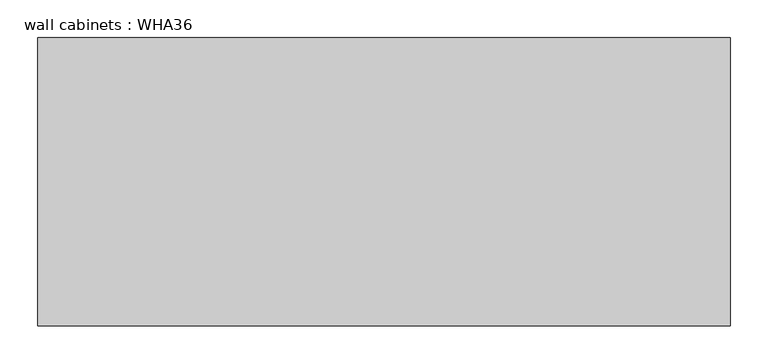
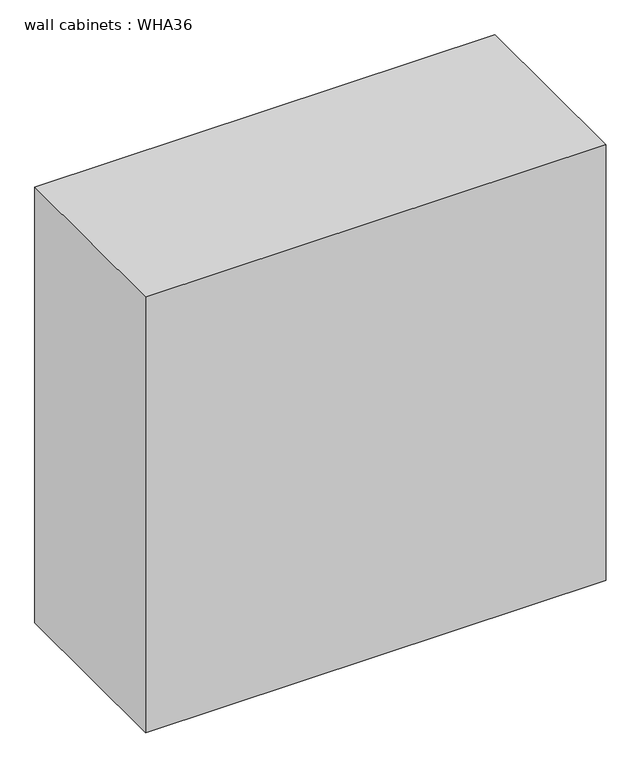
"""IFC4 building model written with IfcOpenShell, lengths in millimetres: furniture geometry, wall cabinets : WHA36."""

from ifc_helpers import new_model, si_unit, frame, origin, place, context, project, spatial, polyline, outline, extrude, source, transform, mapped, element, save


def wall_cabinets_wha36_857b2ca1(model_context):
    return source(origin(), model_context, "Body", "SweptSolid", [
        extrude(outline(polyline([(-133.6622951, -228.6), (-1048.0622951, -228.6), (-1048.0622951, 152.4), (-133.6622951, 152.4), (-133.6622951, -228.6)])), frame((0.0, 0.0, 1397.0), z_axis=(0.0, 0.0, 1.0), x_axis=(1.0, 0.0, 0.0)), (0.0, 0.0, 1.0), 914.4),
    ])


if __name__ == "__main__":
    model = new_model("IFC4")
    model_context = context("Model", 3, world=origin())
    ifc_project = project(units=[si_unit("LENGTHUNIT", "METRE", prefix="MILLI")], contexts=[model_context])
    site = spatial("IfcSite", under=ifc_project)
    building = spatial("IfcBuilding", under=site)
    placement = place(None, origin())
    wall_cabinets_wha36_shape = wall_cabinets_wha36_857b2ca1(model_context)
    element("IfcFurniture", 1, ObjectType="wall cabinets : WHA36", at=placement, inside=building, context=model_context, shape_type="MappedRepresentation", body=[
        mapped(wall_cabinets_wha36_shape, transform((0.0, 0.0, 0.0), x_axis=(1.0, 0.0, 0.0), y_axis=(0.0, 1.0, 0.0), z_axis=(0.0, 0.0, 1.0))),
    ])
    save(model, "model.ifc")
